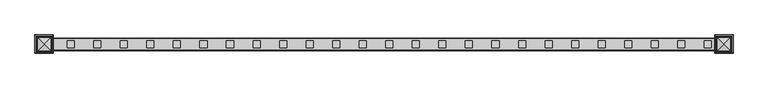
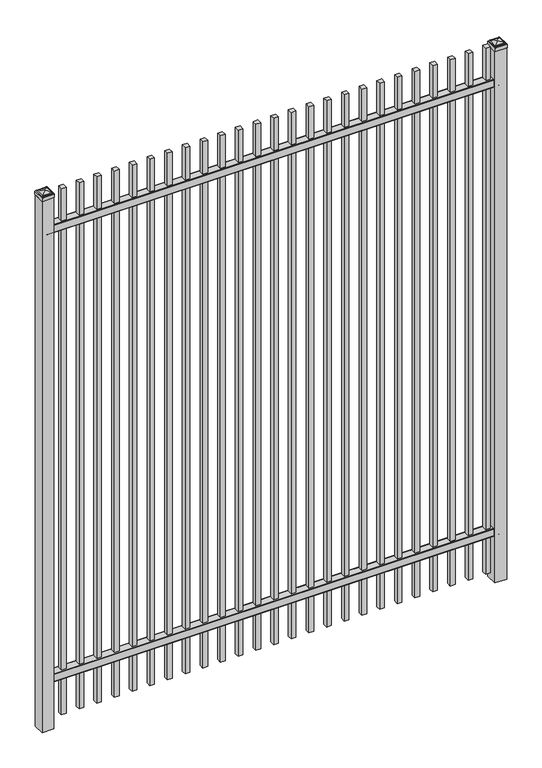
"""IFC4 building model written with IfcOpenShell, lengths in millimetres: railing geometry."""

from ifc_helpers import new_model, si_unit, point, frame, frame_2d, origin, origin_with_axes, place, context, project, spatial, polyline, circle_curve, ellipse_curve, trimmed, segment, composite_curve, outline, extrude, source, transform, mapped, element, save
from ifc_brep_helpers import plane_surface, cylinder_surface, advanced_brep


def railing_3d9dfbf2(model_context):
    return source(origin(), model_context, "Body", "SolidModel", [
        extrude(outline(composite_curve([segment(polyline([(4253.9139761, 304.8), (4291.969541, 304.8)]), True, "CONTINUOUS"), segment(trimmed(circle_curve(frame_2d((4291.969541, 301.625)), 3.175), [point((4291.969541, 304.8))], [point((4295.144541, 301.625))], False, "CARTESIAN"), True, "CONTINUOUS"), segment(polyline([(4295.144541, 301.625), (4295.144541, 262.1439893)]), True, "CONTINUOUS"), segment(trimmed(circle_curve(frame_2d((4293.3505518, 262.1439893)), 1.7939893), [point((4295.144541, 262.1439893))], [point((4293.3505518, 260.35))], False, "CARTESIAN"), True, "CONTINUOUS"), segment(polyline([(4293.3505518, 260.35), (4290.7590713, 260.35)]), True, "CONTINUOUS"), segment(trimmed(circle_curve(frame_2d((4290.7590713, 262.1359375)), 1.7859375), [point((4290.7590713, 260.35))], [point((4288.9755813, 262.0424688))], False, "CARTESIAN"), True, "CONTINUOUS"), segment(polyline([(4288.9755813, 262.0424688), (4287.4025867, 292.0569942), (4258.4364954, 292.0569942), (4256.8635007, 262.0424688)]), True, "CONTINUOUS"), segment(trimmed(circle_curve(frame_2d((4255.0800108, 262.1359375)), 1.7859375), [point((4256.8635007, 262.0424688))], [point((4255.0800108, 260.35))], False, "CARTESIAN"), True, "CONTINUOUS"), segment(polyline([(4255.0800108, 260.35), (4252.4804785, 260.35)]), True, "CONTINUOUS"), segment(trimmed(circle_curve(frame_2d((4252.4804785, 262.1359375)), 1.7859375), [point((4252.4804785, 260.35))], [point((4250.694541, 262.1359375))], False, "CARTESIAN"), True, "CONTINUOUS"), segment(polyline([(4250.694541, 262.1359375), (4250.694541, 301.5805649)]), True, "CONTINUOUS"), segment(trimmed(circle_curve(frame_2d((4253.9139761, 301.5805649)), 3.2194351), [point((4250.694541, 301.5805649))], [point((4253.9139761, 304.8))], False, "CARTESIAN"), True, "CONTINUOUS")], self_intersect=False)), frame((2341.3350064, 0.0, 0.0), z_axis=(1.0, 0.0, 0.0), x_axis=(0.0, 1.0, 0.0)), (0.0, 0.0, 1.0), 2438.4),
        extrude(outline(composite_curve([segment(polyline([(4253.9139761, 2862.2625), (4291.969541, 2862.2625)]), True, "CONTINUOUS"), segment(trimmed(circle_curve(frame_2d((4291.969541, 2859.0875)), 3.175), [point((4291.969541, 2862.2625))], [point((4295.144541, 2859.0875))], False, "CARTESIAN"), True, "CONTINUOUS"), segment(polyline([(4295.144541, 2859.0875), (4295.144541, 2819.6064893)]), True, "CONTINUOUS"), segment(trimmed(circle_curve(frame_2d((4293.3505518, 2819.6064893)), 1.7939893), [point((4295.144541, 2819.6064893))], [point((4293.3505518, 2817.8125))], False, "CARTESIAN"), True, "CONTINUOUS"), segment(polyline([(4293.3505518, 2817.8125), (4290.7590713, 2817.8125)]), True, "CONTINUOUS"), segment(trimmed(circle_curve(frame_2d((4290.7590713, 2819.5984375)), 1.7859375), [point((4290.7590713, 2817.8125))], [point((4288.9755813, 2819.5049688))], False, "CARTESIAN"), True, "CONTINUOUS"), segment(polyline([(4288.9755813, 2819.5049688), (4287.4025867, 2849.5194942), (4258.4364954, 2849.5194942), (4256.8635007, 2819.5049688)]), True, "CONTINUOUS"), segment(trimmed(circle_curve(frame_2d((4255.0800108, 2819.5984375)), 1.7859375), [point((4256.8635007, 2819.5049688))], [point((4255.0800108, 2817.8125))], False, "CARTESIAN"), True, "CONTINUOUS"), segment(polyline([(4255.0800108, 2817.8125), (4252.4804785, 2817.8125)]), True, "CONTINUOUS"), segment(trimmed(circle_curve(frame_2d((4252.4804785, 2819.5984375)), 1.7859375), [point((4252.4804785, 2817.8125))], [point((4250.694541, 2819.5984375))], False, "CARTESIAN"), True, "CONTINUOUS"), segment(polyline([(4250.694541, 2819.5984375), (4250.694541, 2859.0430649)]), True, "CONTINUOUS"), segment(trimmed(circle_curve(frame_2d((4253.9139761, 2859.0430649)), 3.2194351), [point((4250.694541, 2859.0430649))], [point((4253.9139761, 2862.2625))], False, "CARTESIAN"), True, "CONTINUOUS")], self_intersect=False)), frame((2341.3350064, 0.0, 0.0), z_axis=(1.0, 0.0, 0.0), x_axis=(0.0, 1.0, 0.0)), (0.0, 0.0, 1.0), 2438.4),
        extrude(outline(polyline([(4709.8850064, 4285.619541), (4735.2850064, 4285.619541), (4735.2850064, 4260.219541), (4709.8850064, 4260.219541), (4709.8850064, 4285.619541)])), frame((0.0, 0.0, 50.8), z_axis=(0.0, 0.0, 1.0), x_axis=(1.0, 0.0, 0.0)), (0.0, 0.0, 1.0), 2997.2),
        extrude(outline(polyline([(4614.6350064, 4285.619541), (4640.0350064, 4285.619541), (4640.0350064, 4260.219541), (4614.6350064, 4260.219541), (4614.6350064, 4285.619541)])), frame((0.0, 0.0, 50.8), z_axis=(0.0, 0.0, 1.0), x_axis=(1.0, 0.0, 0.0)), (0.0, 0.0, 1.0), 2997.2),
        extrude(outline(polyline([(4519.3850064, 4285.619541), (4544.7850064, 4285.619541), (4544.7850064, 4260.219541), (4519.3850064, 4260.219541), (4519.3850064, 4285.619541)])), frame((0.0, 0.0, 50.8), z_axis=(0.0, 0.0, 1.0), x_axis=(1.0, 0.0, 0.0)), (0.0, 0.0, 1.0), 2997.2),
        extrude(outline(polyline([(4424.1350064, 4285.619541), (4449.5350064, 4285.619541), (4449.5350064, 4260.219541), (4424.1350064, 4260.219541), (4424.1350064, 4285.619541)])), frame((0.0, 0.0, 50.8), z_axis=(0.0, 0.0, 1.0), x_axis=(1.0, 0.0, 0.0)), (0.0, 0.0, 1.0), 2997.2),
        extrude(outline(polyline([(4328.8850064, 4285.619541), (4354.2850064, 4285.619541), (4354.2850064, 4260.219541), (4328.8850064, 4260.219541), (4328.8850064, 4285.619541)])), frame((0.0, 0.0, 50.8), z_axis=(0.0, 0.0, 1.0), x_axis=(1.0, 0.0, 0.0)), (0.0, 0.0, 1.0), 2997.2),
        extrude(outline(polyline([(4233.6350064, 4285.619541), (4259.0350064, 4285.619541), (4259.0350064, 4260.219541), (4233.6350064, 4260.219541), (4233.6350064, 4285.619541)])), frame((0.0, 0.0, 50.8), z_axis=(0.0, 0.0, 1.0), x_axis=(1.0, 0.0, 0.0)), (0.0, 0.0, 1.0), 2997.2),
        extrude(outline(polyline([(4138.3850064, 4285.619541), (4163.7850064, 4285.619541), (4163.7850064, 4260.219541), (4138.3850064, 4260.219541), (4138.3850064, 4285.619541)])), frame((0.0, 0.0, 50.8), z_axis=(0.0, 0.0, 1.0), x_axis=(1.0, 0.0, 0.0)), (0.0, 0.0, 1.0), 2997.2),
        extrude(outline(polyline([(4043.1350064, 4285.619541), (4068.5350064, 4285.619541), (4068.5350064, 4260.219541), (4043.1350064, 4260.219541), (4043.1350064, 4285.619541)])), frame((0.0, 0.0, 50.8), z_axis=(0.0, 0.0, 1.0), x_axis=(1.0, 0.0, 0.0)), (0.0, 0.0, 1.0), 2997.2),
        extrude(outline(polyline([(3947.8850064, 4285.619541), (3973.2850064, 4285.619541), (3973.2850064, 4260.219541), (3947.8850064, 4260.219541), (3947.8850064, 4285.619541)])), frame((0.0, 0.0, 50.8), z_axis=(0.0, 0.0, 1.0), x_axis=(1.0, 0.0, 0.0)), (0.0, 0.0, 1.0), 2997.2),
        extrude(outline(polyline([(3852.6350064, 4285.619541), (3878.0350064, 4285.619541), (3878.0350064, 4260.219541), (3852.6350064, 4260.219541), (3852.6350064, 4285.619541)])), frame((0.0, 0.0, 50.8), z_axis=(0.0, 0.0, 1.0), x_axis=(1.0, 0.0, 0.0)), (0.0, 0.0, 1.0), 2997.2),
        extrude(outline(polyline([(3757.3850064, 4285.619541), (3782.7850064, 4285.619541), (3782.7850064, 4260.219541), (3757.3850064, 4260.219541), (3757.3850064, 4285.619541)])), frame((0.0, 0.0, 50.8), z_axis=(0.0, 0.0, 1.0), x_axis=(1.0, 0.0, 0.0)), (0.0, 0.0, 1.0), 2997.2),
        extrude(outline(polyline([(3662.1350064, 4285.619541), (3687.5350064, 4285.619541), (3687.5350064, 4260.219541), (3662.1350064, 4260.219541), (3662.1350064, 4285.619541)])), frame((0.0, 0.0, 50.8), z_axis=(0.0, 0.0, 1.0), x_axis=(1.0, 0.0, 0.0)), (0.0, 0.0, 1.0), 2997.2),
        extrude(outline(polyline([(3566.8850064, 4285.619541), (3592.2850064, 4285.619541), (3592.2850064, 4260.219541), (3566.8850064, 4260.219541), (3566.8850064, 4285.619541)])), frame((0.0, 0.0, 50.8), z_axis=(0.0, 0.0, 1.0), x_axis=(1.0, 0.0, 0.0)), (0.0, 0.0, 1.0), 2997.2),
        extrude(outline(polyline([(3471.6350064, 4285.619541), (3497.0350064, 4285.619541), (3497.0350064, 4260.219541), (3471.6350064, 4260.219541), (3471.6350064, 4285.619541)])), frame((0.0, 0.0, 50.8), z_axis=(0.0, 0.0, 1.0), x_axis=(1.0, 0.0, 0.0)), (0.0, 0.0, 1.0), 2997.2),
        extrude(outline(polyline([(3376.3850064, 4285.619541), (3401.7850064, 4285.619541), (3401.7850064, 4260.219541), (3376.3850064, 4260.219541), (3376.3850064, 4285.619541)])), frame((0.0, 0.0, 50.8), z_axis=(0.0, 0.0, 1.0), x_axis=(1.0, 0.0, 0.0)), (0.0, 0.0, 1.0), 2997.2),
        extrude(outline(polyline([(3281.1350064, 4285.619541), (3306.5350064, 4285.619541), (3306.5350064, 4260.219541), (3281.1350064, 4260.219541), (3281.1350064, 4285.619541)])), frame((0.0, 0.0, 50.8), z_axis=(0.0, 0.0, 1.0), x_axis=(1.0, 0.0, 0.0)), (0.0, 0.0, 1.0), 2997.2),
        extrude(outline(polyline([(3185.8850064, 4285.619541), (3211.2850064, 4285.619541), (3211.2850064, 4260.219541), (3185.8850064, 4260.219541), (3185.8850064, 4285.619541)])), frame((0.0, 0.0, 50.8), z_axis=(0.0, 0.0, 1.0), x_axis=(1.0, 0.0, 0.0)), (0.0, 0.0, 1.0), 2997.2),
        extrude(outline(polyline([(3090.6350064, 4285.619541), (3116.0350064, 4285.619541), (3116.0350064, 4260.219541), (3090.6350064, 4260.219541), (3090.6350064, 4285.619541)])), frame((0.0, 0.0, 50.8), z_axis=(0.0, 0.0, 1.0), x_axis=(1.0, 0.0, 0.0)), (0.0, 0.0, 1.0), 2997.2),
        extrude(outline(polyline([(2995.3850064, 4285.619541), (3020.7850064, 4285.619541), (3020.7850064, 4260.219541), (2995.3850064, 4260.219541), (2995.3850064, 4285.619541)])), frame((0.0, 0.0, 50.8), z_axis=(0.0, 0.0, 1.0), x_axis=(1.0, 0.0, 0.0)), (0.0, 0.0, 1.0), 2997.2),
        extrude(outline(polyline([(2900.1350064, 4285.619541), (2925.5350064, 4285.619541), (2925.5350064, 4260.219541), (2900.1350064, 4260.219541), (2900.1350064, 4285.619541)])), frame((0.0, 0.0, 50.8), z_axis=(0.0, 0.0, 1.0), x_axis=(1.0, 0.0, 0.0)), (0.0, 0.0, 1.0), 2997.2),
        extrude(outline(polyline([(2804.8850064, 4285.619541), (2830.2850064, 4285.619541), (2830.2850064, 4260.219541), (2804.8850064, 4260.219541), (2804.8850064, 4285.619541)])), frame((0.0, 0.0, 50.8), z_axis=(0.0, 0.0, 1.0), x_axis=(1.0, 0.0, 0.0)), (0.0, 0.0, 1.0), 2997.2),
        extrude(outline(polyline([(2709.6350064, 4285.619541), (2735.0350064, 4285.619541), (2735.0350064, 4260.219541), (2709.6350064, 4260.219541), (2709.6350064, 4285.619541)])), frame((0.0, 0.0, 50.8), z_axis=(0.0, 0.0, 1.0), x_axis=(1.0, 0.0, 0.0)), (0.0, 0.0, 1.0), 2997.2),
        extrude(outline(polyline([(2614.3850064, 4285.619541), (2639.7850064, 4285.619541), (2639.7850064, 4260.219541), (2614.3850064, 4260.219541), (2614.3850064, 4285.619541)])), frame((0.0, 0.0, 50.8), z_axis=(0.0, 0.0, 1.0), x_axis=(1.0, 0.0, 0.0)), (0.0, 0.0, 1.0), 2997.2),
        extrude(outline(polyline([(2519.1350064, 4285.619541), (2544.5350064, 4285.619541), (2544.5350064, 4260.219541), (2519.1350064, 4260.219541), (2519.1350064, 4285.619541)])), frame((0.0, 0.0, 50.8), z_axis=(0.0, 0.0, 1.0), x_axis=(1.0, 0.0, 0.0)), (0.0, 0.0, 1.0), 2997.2),
        extrude(outline(polyline([(2423.8850064, 4285.619541), (2449.2850064, 4285.619541), (2449.2850064, 4260.219541), (2423.8850064, 4260.219541), (2423.8850064, 4285.619541)])), frame((0.0, 0.0, 50.8), z_axis=(0.0, 0.0, 1.0), x_axis=(1.0, 0.0, 0.0)), (0.0, 0.0, 1.0), 2997.2),
        extrude(outline(polyline([(4811.4850064, 4304.669541), (4811.4850064, 4241.169541), (4747.9850064, 4241.169541), (4747.9850064, 4304.669541), (4811.4850064, 4304.669541)])), origin_with_axes(), (0.0, 0.0, 1.0), 3027.3625),
        advanced_brep(
        [(4746.3975064, 4306.257041, 3045.61875), (4746.3975064, 4306.257041, 3027.3625), (4746.3975064, 4239.582041, 3027.3625), (4746.3975064, 4239.582041, 3045.61875), (4748.7787564, 4303.875791, 3048.0), (4748.7787564, 4241.963291, 3048.0), (4751.1600064, 4301.494541, 3050.38125), (4751.1600064, 4301.494541, 3048.0), (4751.1600064, 4244.344541, 3048.0), (4751.1600064, 4244.344541, 3050.38125), (4753.5412564, 4299.113291, 3052.7625), (4753.5412564, 4246.725791, 3052.7625), (4779.7350064, 4272.919541, 3059.1125), (4755.9225064, 4296.732041, 3052.7625), (4755.9225064, 4249.107041, 3052.7625), (4813.0725064, 4239.582041, 3027.3625), (4813.0725064, 4239.582041, 3045.61875), (4810.6912564, 4241.963291, 3048.0), (4808.3100064, 4244.344541, 3048.0), (4808.3100064, 4244.344541, 3050.38125), (4805.9287564, 4246.725791, 3052.7625), (4803.5475064, 4249.107041, 3052.7625), (4813.0725064, 4306.257041, 3027.3625), (4813.0725064, 4306.257041, 3045.61875), (4810.6912564, 4303.875791, 3048.0), (4808.3100064, 4301.494541, 3048.0), (4808.3100064, 4301.494541, 3050.38125), (4805.9287564, 4299.113291, 3052.7625), (4803.5475064, 4296.732041, 3052.7625)],
        [
            (0, 1),
            (1, 2),
            (2, 3),
            (3, 0),
            (4, 0, ellipse_curve(frame((4748.7787564, 4303.875791, 3045.61875), z_axis=(-0.70710678118655, -0.7071067811865449, 0.0), x_axis=(-0.7071067811865448, 0.7071067811865501, 0.0)), 3.367596, 2.38125)),
            (3, 5, ellipse_curve(frame((4748.7787564, 4241.963291, 3045.61875), z_axis=(-0.7071067811865449, 0.70710678118655, 0.0), x_axis=(0.7071067811865499, 0.707106781186545, 0.0)), 3.367596, 2.38125)),
            (5, 4),
            (6, 7),
            (7, 8),
            (8, 9),
            (9, 6),
            (10, 6, ellipse_curve(frame((4753.5412564, 4299.113291, 3050.38125), z_axis=(-0.70710678118655, -0.7071067811865449, 0.0), x_axis=(-0.7071067811865448, 0.7071067811865501, 0.0)), 3.367596, 2.38125)),
            (9, 11, ellipse_curve(frame((4753.5412564, 4246.725791, 3050.38125), z_axis=(-0.7071067811865449, 0.70710678118655, 0.0), x_axis=(0.7071067811865499, 0.707106781186545, 0.0)), 3.367596, 2.38125)),
            (11, 10),
            (12, 13, ellipse_curve(frame((4779.7350064, 4272.919541, 3011.2890625), z_axis=(-0.70710678118655, -0.7071067811865449, 0.0), x_axis=(-0.7071067811865448, 0.7071067811865501, 0.0)), 67.6325539, 47.8234375)),
            (13, 14),
            (14, 12, ellipse_curve(frame((4779.7350064, 4272.919541, 3011.2890625), z_axis=(-0.7071067811865449, 0.70710678118655, 0.0), x_axis=(0.7071067811865499, 0.707106781186545, 0.0)), 67.6325539, 47.8234375)),
            (2, 15),
            (15, 16),
            (16, 3),
            (16, 17, ellipse_curve(frame((4810.6912564, 4241.963291, 3045.61875), z_axis=(-0.70710678118655, -0.707106781186545, 0.0), x_axis=(-0.707106781186545, 0.70710678118655, 0.0)), 3.367596, 2.38125)),
            (17, 5),
            (8, 18),
            (18, 19),
            (19, 9),
            (19, 20, ellipse_curve(frame((4805.9287564, 4246.725791, 3050.38125), z_axis=(-0.70710678118655, -0.707106781186545, 0.0), x_axis=(-0.707106781186545, 0.70710678118655, 0.0)), 3.367596, 2.38125)),
            (20, 11),
            (14, 21),
            (21, 12, ellipse_curve(frame((4779.7350064, 4272.919541, 3011.2890625), z_axis=(-0.70710678118655, -0.707106781186545, 0.0), x_axis=(-0.707106781186545, 0.70710678118655, 0.0)), 67.6325539, 47.8234375)),
            (15, 22),
            (22, 23),
            (23, 16),
            (23, 24, ellipse_curve(frame((4810.6912564, 4303.875791, 3045.61875), z_axis=(0.707106781186545, -0.7071067811865499, 0.0), x_axis=(-0.7071067811865497, -0.7071067811865452, 0.0)), 3.367596, 2.38125)),
            (24, 17),
            (18, 25),
            (25, 26),
            (26, 19),
            (26, 27, ellipse_curve(frame((4805.9287564, 4299.113291, 3050.38125), z_axis=(0.707106781186545, -0.7071067811865499, 0.0), x_axis=(-0.7071067811865497, -0.7071067811865452, 0.0)), 3.367596, 2.38125)),
            (27, 20),
            (21, 28),
            (28, 12, ellipse_curve(frame((4779.7350064, 4272.919541, 3011.2890625), z_axis=(0.707106781186545, -0.7071067811865499, 0.0), x_axis=(-0.7071067811865497, -0.7071067811865452, 0.0)), 67.6325539, 47.8234375)),
            (22, 1),
            (0, 23),
            (4, 24),
            (7, 25),
            (6, 26),
            (10, 27),
            (13, 28),
        ],
        [
            plane_surface(frame((4746.3975064, 4306.257041, 3027.3625), z_axis=(-1.0, 0.0, 0.0), x_axis=(0.0, -1.0, 0.0))),
            cylinder_surface(frame((4748.7787564, 4304.669541, 3045.61875), z_axis=(0.0, 1.0, 0.0), x_axis=(1.0, 0.0, 0.0)), 2.38125),
            plane_surface(frame((4751.1600064, 4301.494541, 3048.0), z_axis=(-1.0, 0.0, 0.0), x_axis=(0.0, -1.0, 0.0))),
            cylinder_surface(frame((4753.5412564, 4304.669541, 3050.38125), z_axis=(0.0, 1.0, 0.0), x_axis=(1.0, 0.0, 0.0)), 2.38125),
            cylinder_surface(frame((4779.7350064, 4304.669541, 3011.2890625), z_axis=(0.0, 1.0, 0.0), x_axis=(1.0, 0.0, 0.0)), 47.8234375),
            plane_surface(frame((4746.3975064, 4239.582041, 3027.3625), z_axis=(0.0, -1.0, 0.0), x_axis=(1.0, 0.0, 0.0))),
            cylinder_surface(frame((4747.9850064, 4241.963291, 3045.61875), z_axis=(-1.0, 0.0, 0.0), x_axis=(0.0, 1.0, 0.0)), 2.38125),
            plane_surface(frame((4751.1600064, 4244.344541, 3048.0), z_axis=(0.0, -1.0, 0.0), x_axis=(1.0, 0.0, 0.0))),
            cylinder_surface(frame((4747.9850064, 4246.725791, 3050.38125), z_axis=(-1.0, 0.0, 0.0), x_axis=(0.0, 1.0, 0.0)), 2.38125),
            cylinder_surface(frame((4747.9850064, 4272.919541, 3011.2890625), z_axis=(-1.0, 0.0, 0.0), x_axis=(0.0, 1.0, 0.0)), 47.8234375),
            plane_surface(frame((4813.0725064, 4239.582041, 3027.3625), z_axis=(1.0, 0.0, 0.0), x_axis=(0.0, 1.0, 0.0))),
            cylinder_surface(frame((4810.6912564, 4241.169541, 3045.61875), z_axis=(0.0, -1.0, 0.0), x_axis=(-1.0, 0.0, 0.0)), 2.38125),
            plane_surface(frame((4808.3100064, 4244.344541, 3048.0), z_axis=(1.0, 0.0, 0.0), x_axis=(0.0, 1.0, 0.0))),
            cylinder_surface(frame((4805.9287564, 4241.169541, 3050.38125), z_axis=(0.0, -1.0, 0.0), x_axis=(-1.0, 0.0, 0.0)), 2.38125),
            cylinder_surface(frame((4779.7350064, 4241.169541, 3011.2890625), z_axis=(0.0, -1.0, 0.0), x_axis=(-1.0, 0.0, 0.0)), 47.8234375),
            plane_surface(frame((4813.0725064, 4306.257041, 3027.3625), z_axis=(0.0, 1.0, 0.0), x_axis=(-1.0, 0.0, 0.0))),
            cylinder_surface(frame((4811.4850064, 4303.875791, 3045.61875), z_axis=(1.0, 0.0, 0.0), x_axis=(0.0, -1.0, 0.0)), 2.38125),
            plane_surface(frame((4810.6912564, 4303.875791, 3048.0), z_axis=(0.0, 0.0, 1.0), x_axis=(-1.0, 0.0, 0.0))),
            plane_surface(frame((4808.3100064, 4301.494541, 3048.0), z_axis=(0.0, 1.0, 0.0), x_axis=(-1.0, 0.0, 0.0))),
            cylinder_surface(frame((4811.4850064, 4299.113291, 3050.38125), z_axis=(1.0, 0.0, 0.0), x_axis=(0.0, -1.0, 0.0)), 2.38125),
            plane_surface(frame((4805.9287564, 4299.113291, 3052.7625), z_axis=(0.0, 0.0, 1.0), x_axis=(-1.0, 0.0, 0.0))),
            cylinder_surface(frame((4811.4850064, 4272.919541, 3011.2890625), z_axis=(1.0, 0.0, 0.0), x_axis=(0.0, -1.0, 0.0)), 47.8234375),
            plane_surface(frame((4779.7350064, 4272.919541, 3027.3625), z_axis=(0.0, 0.0, -1.0), x_axis=(-1.0, 0.0, 0.0))),
        ],
        [
            (0, [[1, 2, 3, 4]]),
            (1, [[5, -4, 6, 7]]),
            (2, [[8, 9, 10, 11]]),
            (3, [[12, -11, 13, 14]]),
            (4, [[15, 16, 17]]),
            (5, [[-3, 18, 19, 20]]),
            (6, [[-6, -20, 21, 22]]),
            (7, [[-10, 23, 24, 25]]),
            (8, [[-13, -25, 26, 27]]),
            (9, [[-17, 28, 29]]),
            (10, [[-19, 30, 31, 32]]),
            (11, [[-21, -32, 33, 34]]),
            (12, [[-24, 35, 36, 37]]),
            (13, [[-26, -37, 38, 39]]),
            (14, [[-29, 40, 41]]),
            (15, [[-31, 42, -1, 43]]),
            (16, [[-33, -43, -5, 44]]),
            (17, [[-22, -34, -44, -7], [45, -35, -23, -9]]),
            (18, [[-36, -45, -8, 46]]),
            (19, [[-38, -46, -12, 47]]),
            (20, [[-27, -39, -47, -14], [48, -40, -28, -16]]),
            (21, [[-41, -48, -15]]),
            (22, [[-42, -30, -18, -2]]),
        ],
    ),
        extrude(outline(polyline([(2373.0850064, 4304.669541), (2373.0850064, 4241.169541), (2309.5850064, 4241.169541), (2309.5850064, 4304.669541), (2373.0850064, 4304.669541)])), origin_with_axes(), (0.0, 0.0, 1.0), 3027.3625),
        advanced_brep(
        [(2307.9975064, 4306.257041, 3045.61875), (2307.9975064, 4306.257041, 3027.3625), (2307.9975064, 4239.582041, 3027.3625), (2307.9975064, 4239.582041, 3045.61875), (2310.3787564, 4303.875791, 3048.0), (2310.3787564, 4241.963291, 3048.0), (2312.7600064, 4301.494541, 3050.38125), (2312.7600064, 4301.494541, 3048.0), (2312.7600064, 4244.344541, 3048.0), (2312.7600064, 4244.344541, 3050.38125), (2315.1412564, 4299.113291, 3052.7625), (2315.1412564, 4246.725791, 3052.7625), (2341.3350064, 4272.919541, 3059.1125), (2317.5225064, 4296.732041, 3052.7625), (2317.5225064, 4249.107041, 3052.7625), (2374.6725064, 4239.582041, 3027.3625), (2374.6725064, 4239.582041, 3045.61875), (2372.2912564, 4241.963291, 3048.0), (2369.9100064, 4244.344541, 3048.0), (2369.9100064, 4244.344541, 3050.38125), (2367.5287564, 4246.725791, 3052.7625), (2365.1475064, 4249.107041, 3052.7625), (2374.6725064, 4306.257041, 3027.3625), (2374.6725064, 4306.257041, 3045.61875), (2372.2912564, 4303.875791, 3048.0), (2369.9100064, 4301.494541, 3048.0), (2369.9100064, 4301.494541, 3050.38125), (2367.5287564, 4299.113291, 3052.7625), (2365.1475064, 4296.732041, 3052.7625)],
        [
            (0, 1),
            (1, 2),
            (2, 3),
            (3, 0),
            (4, 0, ellipse_curve(frame((2310.3787564, 4303.875791, 3045.61875), z_axis=(-0.70710678118655, -0.7071067811865449, 0.0), x_axis=(-0.7071067811865448, 0.7071067811865501, 0.0)), 3.367596, 2.38125)),
            (3, 5, ellipse_curve(frame((2310.3787564, 4241.963291, 3045.61875), z_axis=(-0.7071067811865449, 0.70710678118655, 0.0), x_axis=(0.7071067811865499, 0.707106781186545, 0.0)), 3.367596, 2.38125)),
            (5, 4),
            (6, 7),
            (7, 8),
            (8, 9),
            (9, 6),
            (10, 6, ellipse_curve(frame((2315.1412564, 4299.113291, 3050.38125), z_axis=(-0.70710678118655, -0.7071067811865449, 0.0), x_axis=(-0.7071067811865448, 0.7071067811865501, 0.0)), 3.367596, 2.38125)),
            (9, 11, ellipse_curve(frame((2315.1412564, 4246.725791, 3050.38125), z_axis=(-0.7071067811865449, 0.70710678118655, 0.0), x_axis=(0.7071067811865499, 0.707106781186545, 0.0)), 3.367596, 2.38125)),
            (11, 10),
            (12, 13, ellipse_curve(frame((2341.3350064, 4272.919541, 3011.2890625), z_axis=(-0.70710678118655, -0.7071067811865449, 0.0), x_axis=(-0.7071067811865448, 0.7071067811865501, 0.0)), 67.6325539, 47.8234375)),
            (13, 14),
            (14, 12, ellipse_curve(frame((2341.3350064, 4272.919541, 3011.2890625), z_axis=(-0.7071067811865449, 0.70710678118655, 0.0), x_axis=(0.7071067811865499, 0.707106781186545, 0.0)), 67.6325539, 47.8234375)),
            (2, 15),
            (15, 16),
            (16, 3),
            (16, 17, ellipse_curve(frame((2372.2912564, 4241.963291, 3045.61875), z_axis=(-0.70710678118655, -0.707106781186545, 0.0), x_axis=(-0.707106781186545, 0.70710678118655, 0.0)), 3.367596, 2.38125)),
            (17, 5),
            (8, 18),
            (18, 19),
            (19, 9),
            (19, 20, ellipse_curve(frame((2367.5287564, 4246.725791, 3050.38125), z_axis=(-0.70710678118655, -0.707106781186545, 0.0), x_axis=(-0.707106781186545, 0.70710678118655, 0.0)), 3.367596, 2.38125)),
            (20, 11),
            (14, 21),
            (21, 12, ellipse_curve(frame((2341.3350064, 4272.919541, 3011.2890625), z_axis=(-0.70710678118655, -0.707106781186545, 0.0), x_axis=(-0.707106781186545, 0.70710678118655, 0.0)), 67.6325539, 47.8234375)),
            (15, 22),
            (22, 23),
            (23, 16),
            (23, 24, ellipse_curve(frame((2372.2912564, 4303.875791, 3045.61875), z_axis=(0.707106781186545, -0.7071067811865499, 0.0), x_axis=(-0.7071067811865497, -0.7071067811865452, 0.0)), 3.367596, 2.38125)),
            (24, 17),
            (18, 25),
            (25, 26),
            (26, 19),
            (26, 27, ellipse_curve(frame((2367.5287564, 4299.113291, 3050.38125), z_axis=(0.707106781186545, -0.7071067811865499, 0.0), x_axis=(-0.7071067811865497, -0.7071067811865452, 0.0)), 3.367596, 2.38125)),
            (27, 20),
            (21, 28),
            (28, 12, ellipse_curve(frame((2341.3350064, 4272.919541, 3011.2890625), z_axis=(0.707106781186545, -0.7071067811865499, 0.0), x_axis=(-0.7071067811865497, -0.7071067811865452, 0.0)), 67.6325539, 47.8234375)),
            (22, 1),
            (0, 23),
            (4, 24),
            (7, 25),
            (6, 26),
            (10, 27),
            (13, 28),
        ],
        [
            plane_surface(frame((2307.9975064, 4306.257041, 3027.3625), z_axis=(-1.0, 0.0, 0.0), x_axis=(0.0, -1.0, 0.0))),
            cylinder_surface(frame((2310.3787564, 4304.669541, 3045.61875), z_axis=(0.0, 1.0, 0.0), x_axis=(1.0, 0.0, 0.0)), 2.38125),
            plane_surface(frame((2312.7600064, 4301.494541, 3048.0), z_axis=(-1.0, 0.0, 0.0), x_axis=(0.0, -1.0, 0.0))),
            cylinder_surface(frame((2315.1412564, 4304.669541, 3050.38125), z_axis=(0.0, 1.0, 0.0), x_axis=(1.0, 0.0, 0.0)), 2.38125),
            cylinder_surface(frame((2341.3350064, 4304.669541, 3011.2890625), z_axis=(0.0, 1.0, 0.0), x_axis=(1.0, 0.0, 0.0)), 47.8234375),
            plane_surface(frame((2307.9975064, 4239.582041, 3027.3625), z_axis=(0.0, -1.0, 0.0), x_axis=(1.0, 0.0, 0.0))),
            cylinder_surface(frame((2309.5850064, 4241.963291, 3045.61875), z_axis=(-1.0, 0.0, 0.0), x_axis=(0.0, 1.0, 0.0)), 2.38125),
            plane_surface(frame((2312.7600064, 4244.344541, 3048.0), z_axis=(0.0, -1.0, 0.0), x_axis=(1.0, 0.0, 0.0))),
            cylinder_surface(frame((2309.5850064, 4246.725791, 3050.38125), z_axis=(-1.0, 0.0, 0.0), x_axis=(0.0, 1.0, 0.0)), 2.38125),
            cylinder_surface(frame((2309.5850064, 4272.919541, 3011.2890625), z_axis=(-1.0, 0.0, 0.0), x_axis=(0.0, 1.0, 0.0)), 47.8234375),
            plane_surface(frame((2374.6725064, 4239.582041, 3027.3625), z_axis=(1.0, 0.0, 0.0), x_axis=(0.0, 1.0, 0.0))),
            cylinder_surface(frame((2372.2912564, 4241.169541, 3045.61875), z_axis=(0.0, -1.0, 0.0), x_axis=(-1.0, 0.0, 0.0)), 2.38125),
            plane_surface(frame((2369.9100064, 4244.344541, 3048.0), z_axis=(1.0, 0.0, 0.0), x_axis=(0.0, 1.0, 0.0))),
            cylinder_surface(frame((2367.5287564, 4241.169541, 3050.38125), z_axis=(0.0, -1.0, 0.0), x_axis=(-1.0, 0.0, 0.0)), 2.38125),
            cylinder_surface(frame((2341.3350064, 4241.169541, 3011.2890625), z_axis=(0.0, -1.0, 0.0), x_axis=(-1.0, 0.0, 0.0)), 47.8234375),
            plane_surface(frame((2374.6725064, 4306.257041, 3027.3625), z_axis=(0.0, 1.0, 0.0), x_axis=(-1.0, 0.0, 0.0))),
            cylinder_surface(frame((2373.0850064, 4303.875791, 3045.61875), z_axis=(1.0, 0.0, 0.0), x_axis=(0.0, -1.0, 0.0)), 2.38125),
            plane_surface(frame((2372.2912564, 4303.875791, 3048.0), z_axis=(0.0, 0.0, 1.0), x_axis=(-1.0, 0.0, 0.0))),
            plane_surface(frame((2369.9100064, 4301.494541, 3048.0), z_axis=(0.0, 1.0, 0.0), x_axis=(-1.0, 0.0, 0.0))),
            cylinder_surface(frame((2373.0850064, 4299.113291, 3050.38125), z_axis=(1.0, 0.0, 0.0), x_axis=(0.0, -1.0, 0.0)), 2.38125),
            plane_surface(frame((2367.5287564, 4299.113291, 3052.7625), z_axis=(0.0, 0.0, 1.0), x_axis=(-1.0, 0.0, 0.0))),
            cylinder_surface(frame((2373.0850064, 4272.919541, 3011.2890625), z_axis=(1.0, 0.0, 0.0), x_axis=(0.0, -1.0, 0.0)), 47.8234375),
            plane_surface(frame((2341.3350064, 4272.919541, 3027.3625), z_axis=(0.0, 0.0, -1.0), x_axis=(-1.0, 0.0, 0.0))),
        ],
        [
            (0, [[1, 2, 3, 4]]),
            (1, [[5, -4, 6, 7]]),
            (2, [[8, 9, 10, 11]]),
            (3, [[12, -11, 13, 14]]),
            (4, [[15, 16, 17]]),
            (5, [[-3, 18, 19, 20]]),
            (6, [[-6, -20, 21, 22]]),
            (7, [[-10, 23, 24, 25]]),
            (8, [[-13, -25, 26, 27]]),
            (9, [[-17, 28, 29]]),
            (10, [[-19, 30, 31, 32]]),
            (11, [[-21, -32, 33, 34]]),
            (12, [[-24, 35, 36, 37]]),
            (13, [[-26, -37, 38, 39]]),
            (14, [[-29, 40, 41]]),
            (15, [[-31, 42, -1, 43]]),
            (16, [[-33, -43, -5, 44]]),
            (17, [[-22, -34, -44, -7], [45, -35, -23, -9]]),
            (18, [[-36, -45, -8, 46]]),
            (19, [[-38, -46, -12, 47]]),
            (20, [[-27, -39, -47, -14], [48, -40, -28, -16]]),
            (21, [[-41, -48, -15]]),
            (22, [[-42, -30, -18, -2]]),
        ],
    ),
    ])


if __name__ == "__main__":
    model = new_model("IFC4")
    model_context = context("Model", 3, world=origin())
    ifc_project = project(units=[si_unit("LENGTHUNIT", "METRE", prefix="MILLI")], contexts=[model_context])
    site = spatial("IfcSite", under=ifc_project)
    building = spatial("IfcBuilding", under=site)
    placement = place(None, origin())
    railing_shape = railing_3d9dfbf2(model_context)
    element("IfcRailing", 1, at=placement, inside=building, context=model_context, shape_type="MappedRepresentation", body=[
        mapped(railing_shape, transform((0.0, 0.0, 0.0), x_axis=(1.0, 0.0, 0.0), y_axis=(0.0, 1.0, 0.0), z_axis=(0.0, 0.0, 1.0))),
    ])
    save(model, "model.ifc")
